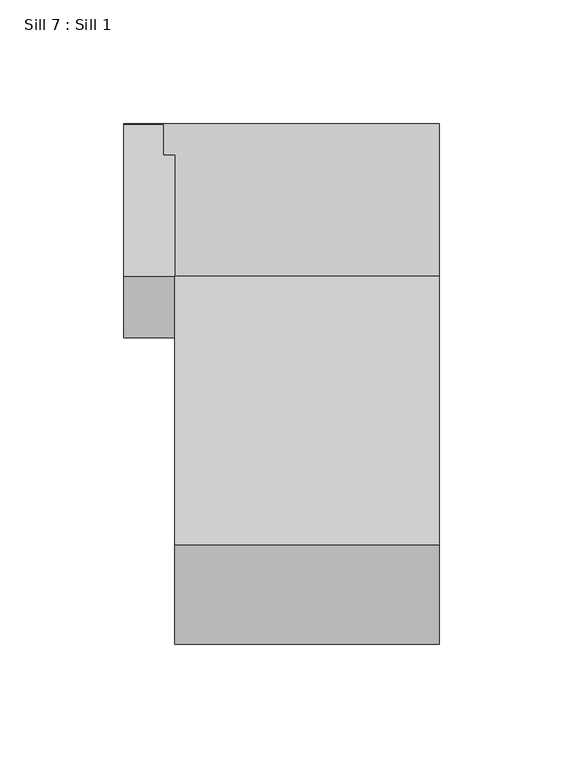
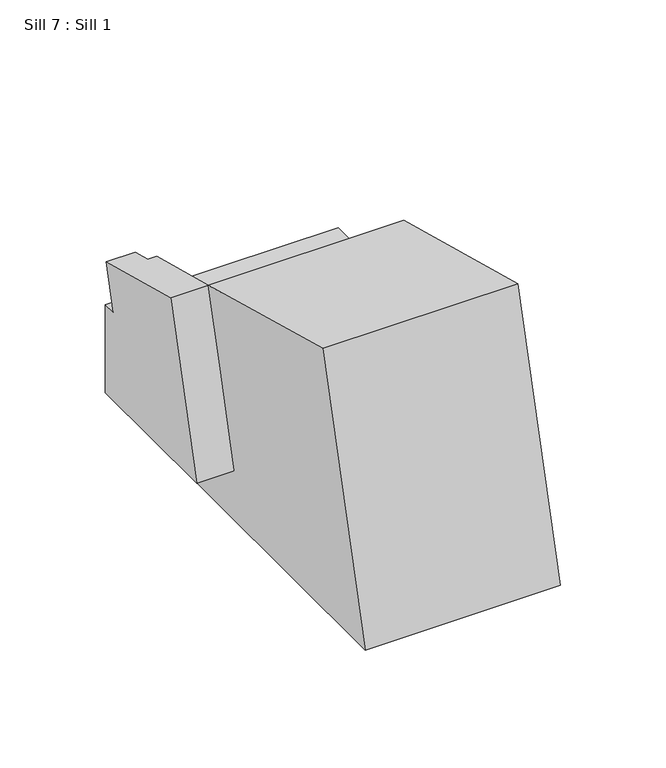
"""IFC4 building model written with IfcOpenShell, lengths in millimetres: proxy geometry, Sill 7 : Sill 1."""

from ifc_helpers import new_model, si_unit, origin, place, context, project, spatial, faceted_brep, source, transform, mapped, element, save


def sill_7_sill_1_042faebd(model_context):
    return source(origin(), model_context, "Body", "Brep", [
        faceted_brep([(-5117.4847818, 6449.333193, 830.293912), (-5117.4847818, 6489.5789314, 980.4930523), (-5117.4847818, 6598.087266, 951.4183317), (-5117.4847818, 6586.9005427, 909.668912), (-5117.4847818, 6573.2887237, 858.868912), (-5117.4847818, 6659.8682282, 858.868912), (-5117.4847818, 6659.8682282, 830.293912), (-5010.5881444, 6586.9005427, 909.668912), (-5010.5881444, 6598.087266, 951.4183317), (-5010.5881444, 6489.5789314, 980.4930523), (-5010.5881444, 6449.333193, 830.293912), (-5010.5881444, 6659.8682282, 830.293912), (-5010.5881444, 6659.8682282, 909.668912), (-5117.4847818, 6586.9005427, 909.668912), (-5138.1633868, 6659.8682282, 858.868912), (-5138.1633868, 6659.8682282, 909.668912), (-5138.1633868, 6652.6453662, 909.668912), (-5122.217609, 6652.6453662, 909.668912), (-5122.217609, 6639.4925726, 909.668912), (-5117.4847818, 6639.4925726, 909.668912), (-5138.1633868, 6598.087266, 951.4183317), (-5117.4847818, 6647.1562979, 938.2703242), (-5122.217609, 6647.1562979, 938.2703242), (-5122.217609, 6659.4280214, 934.9821258), (-5138.086916, 6659.4280214, 934.9821258), (-5138.1633868, 6573.2887237, 858.868912)], [[[0, 1, 2, 3, 4, 5, 6]], [[7, 8, 9, 10, 11, 12]], [[8, 7, 13, 2]], [[8, 2, 1, 9]], [[9, 1, 0, 10]], [[12, 11, 6, 5, 14, 15]], [[7, 12, 15, 16, 17, 18, 19, 13]], [[11, 10, 0, 6]], [[20, 2, 21, 22, 23, 24]], [[20, 24, 16, 15, 14, 25]], [[21, 19, 18, 22]], [[21, 2, 13, 19]], [[2, 20, 25, 4, 3]], [[25, 14, 5, 4]], [[17, 23, 22, 18]], [[16, 24, 23, 17]]]),
    ])


if __name__ == "__main__":
    model = new_model("IFC4")
    model_context = context("Model", 3, world=origin())
    ifc_project = project(units=[si_unit("LENGTHUNIT", "METRE", prefix="MILLI")], contexts=[model_context])
    site = spatial("IfcSite", under=ifc_project)
    building = spatial("IfcBuilding", under=site)
    placement = place(None, origin())
    sill_7_sill_1_shape = sill_7_sill_1_042faebd(model_context)
    element("IfcBuildingElementProxy", 1, Name="Sill 7 : Sill 1", ObjectType="Sill 7 : Sill 1", at=placement, inside=building, context=model_context, shape_type="MappedRepresentation", body=[
        mapped(sill_7_sill_1_shape, transform((0.0, 0.0, 0.0), x_axis=(1.0, 0.0, 0.0), y_axis=(0.0, 1.0, 0.0), z_axis=(0.0, 0.0, 1.0))),
    ])
    save(model, "model.ifc")
